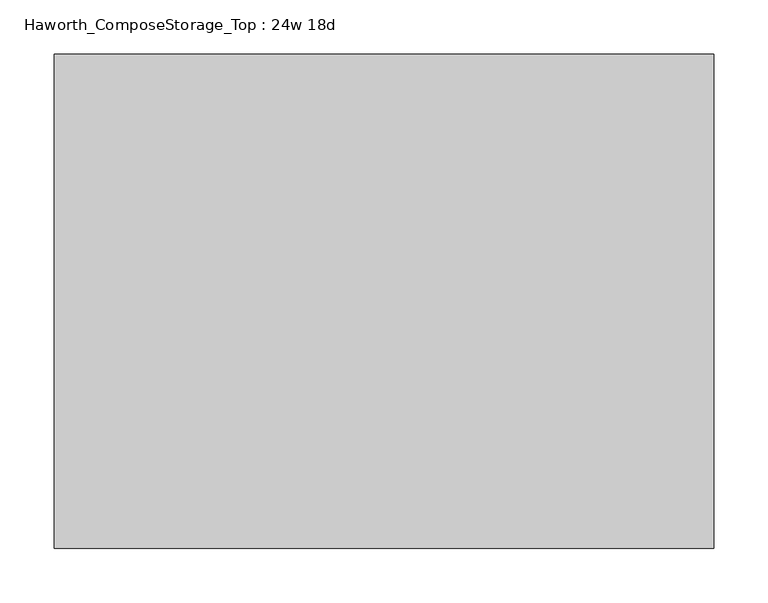
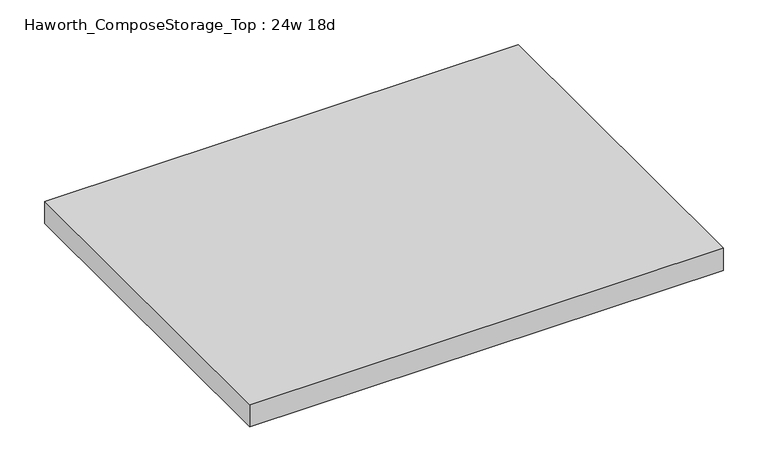
"""IFC4 building model written with IfcOpenShell, lengths in millimetres: furniture geometry, Haworth_ComposeStorage_Top : 24w 18d."""

import ifcopenshell
import ifcopenshell.guid

model = None  # the IFC model being written
_history = None  # IfcOwnerHistory: only IFC2X3 demands one
_inside = {}  # id of a spatial element -> (the spatial element, [elements in it])
_under = {}  # id of a project, library or spatial element -> (it, [spatial elements below it])
_declared = {}  # id of a project -> (the project, [libraries it declares])
_typed = {}  # id of a type object -> (the type object, [elements of that type])
_made_of = {}  # id of a material, layer set ... -> (it, [elements and type objects made of it])


def new_model(schema):
    """Start an empty IFC model of exactly this schema.

    Asked for "IFC4X3", IfcOpenShell would pick the latest addendum, in which some entities
    have other attributes; the version numbers below select the first issue.
    IFC2X3 requires an IfcOwnerHistory on every rooted entity: one is made here for all.
    """
    global model, _history
    if schema == "IFC4X3":
        model = ifcopenshell.file(schema_version=(4, 3, 0, 0))
    else:
        model = ifcopenshell.file(schema=schema)
    _inside.clear()
    _under.clear()
    _declared.clear()
    _typed.clear()
    _made_of.clear()
    _history = None
    if model.schema == "IFC2X3":
        org = make("IfcOrganization", Name="unknown")
        user = make(
            "IfcPersonAndOrganization",
            ThePerson=make("IfcPerson", FamilyName="unknown"),
            TheOrganization=org,
        )
        app = make(
            "IfcApplication",
            ApplicationDeveloper=org,
            Version="unknown",
            ApplicationFullName="unknown",
            ApplicationIdentifier="unknown",
        )
        _history = make(
            "IfcOwnerHistory",
            OwningUser=user,
            OwningApplication=app,
            ChangeAction="ADDED",
            CreationDate=0,
        )
    return model


def make(cls, **values):
    """One entity of the class cls with the attributes given. An attribute that is None is left unset."""
    return model.create_entity(
        cls, **{name: value for name, value in values.items() if value is not None}
    )


def rooted(cls, **values):
    """An entity with a GlobalId (a new one), such as an element, a storey or a relation."""
    return make(cls, GlobalId=ifcopenshell.guid.new(), OwnerHistory=_history, **values)


def si_unit(unit_type, name, prefix=None):
    """IfcSIUnit, for example si_unit("LENGTHUNIT", "METRE", prefix="MILLI")."""
    return make("IfcSIUnit", UnitType=unit_type, Prefix=prefix, Name=name)


def assignment(units):
    """IfcUnitAssignment: the units of a project."""
    return None if units is None else make("IfcUnitAssignment", Units=units)


def point(xyz):
    """IfcCartesianPoint."""
    return None if xyz is None else make("IfcCartesianPoint", Coordinates=xyz)


def direction(xyz):
    """IfcDirection."""
    return None if xyz is None else make("IfcDirection", DirectionRatios=xyz)


def frame(location, z_axis=None, x_axis=None):
    """IfcAxis2Placement3D, a coordinate frame: its origin and axes. An axis left out is left unset."""
    return make(
        "IfcAxis2Placement3D",
        Location=point(location),
        Axis=direction(z_axis),
        RefDirection=direction(x_axis),
    )


def origin():
    """The frame at (0, 0, 0) with its axes left unset."""
    return frame((0.0, 0.0, 0.0))


def place(relative_to, where):
    """IfcLocalPlacement: puts the frame where relative to a parent placement (None: the world)."""
    return make(
        "IfcLocalPlacement", PlacementRelTo=relative_to, RelativePlacement=where
    )


def context(
    kind, dimensions, precision=None, world=None, true_north=None, identifier=None
):
    """IfcGeometricRepresentationContext, for example the 3D "Model" context."""
    return make(
        "IfcGeometricRepresentationContext",
        ContextIdentifier=identifier,
        ContextType=kind,
        CoordinateSpaceDimension=dimensions,
        Precision=precision,
        WorldCoordinateSystem=world,
        TrueNorth=true_north,
    )


def project(units=None, contexts=None):
    """IfcProject with its units and contexts."""
    return rooted(
        "IfcProject",
        Name="project",
        RepresentationContexts=contexts,
        UnitsInContext=assignment(units),
    )


def spatial(cls, under=None, at=None, **own):
    """A site, building, storey or space (cls), placed at a placement, below another one or the project."""
    s = rooted(cls, ObjectPlacement=at, **own)
    if under is not None:
        _under.setdefault(under.id(), (under, []))[1].append(s)
    return s


def polyline(points):
    """IfcPolyline through the points."""
    return make("IfcPolyline", Points=[point(p) for p in points])


def outline(outer, holes=None, kind="AREA"):
    """IfcArbitraryClosedProfileDef: a profile drawn as a closed curve; with holes, ...WithVoids."""
    if holes is None:
        return make("IfcArbitraryClosedProfileDef", ProfileType=kind, OuterCurve=outer)
    return make(
        "IfcArbitraryProfileDefWithVoids",
        ProfileType=kind,
        OuterCurve=outer,
        InnerCurves=holes,
    )


def extrude(swept, where, along, depth):
    """IfcExtrudedAreaSolid: the profile swept, set in the frame where, extruded along a direction by depth."""
    return make(
        "IfcExtrudedAreaSolid",
        SweptArea=swept,
        Position=where,
        ExtrudedDirection=direction(along),
        Depth=depth,
    )


def shape(context_of_items, identifier, shape_type, items):
    """IfcShapeRepresentation: the items that make up one representation, for example the "Body"."""
    return make(
        "IfcShapeRepresentation",
        ContextOfItems=context_of_items,
        RepresentationIdentifier=identifier,
        RepresentationType=shape_type,
        Items=items,
    )


def source(mapping_origin, context_of_items, identifier, shape_type, items):
    """IfcRepresentationMap: a shape defined once, which mapped items show again and again."""
    return make(
        "IfcRepresentationMap",
        MappingOrigin=mapping_origin,
        MappedRepresentation=shape(context_of_items, identifier, shape_type, items),
    )


def transform(
    local_origin,
    x_axis=None,
    y_axis=None,
    z_axis=None,
    scale=None,
    scale2=None,
    scale3=None,
    uniform=True,
):
    """IfcCartesianTransformationOperator3D, or its non-uniform kind. x_axis, y_axis, z_axis: its Axis1, 2, 3."""
    if uniform:
        return make(
            "IfcCartesianTransformationOperator3D",
            Axis1=direction(x_axis),
            Axis2=direction(y_axis),
            LocalOrigin=point(local_origin),
            Scale=scale,
            Axis3=direction(z_axis),
        )
    return make(
        "IfcCartesianTransformationOperator3DnonUniform",
        Axis1=direction(x_axis),
        Axis2=direction(y_axis),
        LocalOrigin=point(local_origin),
        Scale=scale,
        Axis3=direction(z_axis),
        Scale2=scale2,
        Scale3=scale3,
    )


def mapped(mapping_source, mapping_target):
    """IfcMappedItem: shows the shape of a source again, moved by a transform."""
    return make(
        "IfcMappedItem", MappingSource=mapping_source, MappingTarget=mapping_target
    )


def made_of(thing, what):
    """Note that an element or type object is made of a material, layer set ...; save() writes the relation."""
    if what is not None:
        _made_of.setdefault(what.id(), (what, []))[1].append(thing)
    return thing


def element(
    cls,
    number,
    at=None,
    inside=None,
    cuts=None,
    type_object=None,
    material=None,
    context=None,
    identifier="Body",
    shape_type=None,
    held_by="IfcProductDefinitionShape",
    body=None,
    shapes=None,
    **own,
):
    """One element of the class cls, such as IfcWall. Its Tag is "e" and its number.

    at: its placement. inside: the storey or other place that contains it. cuts: it is an
    opening in that element (IfcRelVoidsElement). A single representation is given by context,
    identifier, shape_type and body (its items); several are given by shapes. held_by: the class
    of the entity that holds the representations. save() writes the other relations.
    """
    e = rooted(cls, Tag="e%d" % number, ObjectPlacement=at, **own)
    if body is not None:
        shapes = [shape(context, identifier, shape_type, body)]
    if shapes is not None:
        e.Representation = make(held_by, Representations=shapes)
    if inside is not None:
        _inside.setdefault(inside.id(), (inside, []))[1].append(e)
    if cuts is not None:
        rooted(
            "IfcRelVoidsElement", RelatingBuildingElement=cuts, RelatedOpeningElement=e
        )
    if type_object is not None:
        _typed.setdefault(type_object.id(), (type_object, []))[1].append(e)
    return made_of(e, material)


def aggregate(whole, parts):
    """IfcRelAggregates: a whole, such as a stair, and the parts it consists of."""
    return rooted("IfcRelAggregates", RelatingObject=whole, RelatedObjects=parts)


def save(model, path):
    """Write the relations noted so far, then the file.

    IfcRelAggregates (storeys below a building ...), IfcRelContainedInSpatialStructure (elements
    in a storey), IfcRelDefinesByType, IfcRelAssociatesMaterial and IfcRelDeclares: one each for
    every whole, place, type object, material and project.
    """
    for whole, parts in _under.values():
        aggregate(whole, parts)
    for where, things in _inside.values():
        rooted(
            "IfcRelContainedInSpatialStructure",
            RelatedElements=things,
            RelatingStructure=where,
        )
    for kind, things in _typed.values():
        rooted("IfcRelDefinesByType", RelatedObjects=things, RelatingType=kind)
    for what, things in _made_of.values():
        rooted("IfcRelAssociatesMaterial", RelatedObjects=things, RelatingMaterial=what)
    for by, libraries in _declared.values():
        rooted("IfcRelDeclares", RelatingContext=by, RelatedDefinitions=libraries)
    model.write(path)


def haworth_composestorage_top_24w_18d_dd1c4d3e(model_context):
    return source(origin(), model_context, "Body", "SweptSolid", [
        extrude(outline(polyline([(304.8, 228.6), (304.8, -228.6), (-304.8, -228.6), (-304.8, 228.6), (304.8, 228.6)])), frame((0.0, 0.0, 706.4375), z_axis=(0.0, 0.0, 1.0), x_axis=(1.0, 0.0, 0.0)), (0.0, 0.0, 1.0), 30.1625),
    ])


if __name__ == "__main__":
    model = new_model("IFC4")
    model_context = context("Model", 3, world=origin())
    ifc_project = project(units=[si_unit("LENGTHUNIT", "METRE", prefix="MILLI")], contexts=[model_context])
    site = spatial("IfcSite", under=ifc_project)
    building = spatial("IfcBuilding", under=site)
    placement = place(None, origin())
    haworth_composestorage_top_24w_18d_shape = haworth_composestorage_top_24w_18d_dd1c4d3e(model_context)
    element("IfcFurniture", 1, ObjectType="Haworth_ComposeStorage_Top : 24w 18d", at=placement, inside=building, context=model_context, shape_type="MappedRepresentation", body=[
        mapped(haworth_composestorage_top_24w_18d_shape, transform((0.0, 0.0, 0.0), x_axis=(1.0, 0.0, 0.0), y_axis=(0.0, 1.0, 0.0), z_axis=(0.0, 0.0, 1.0))),
    ])
    save(model, "model.ifc")
